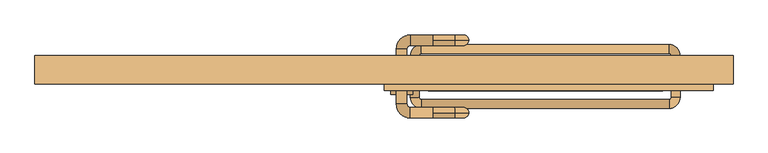
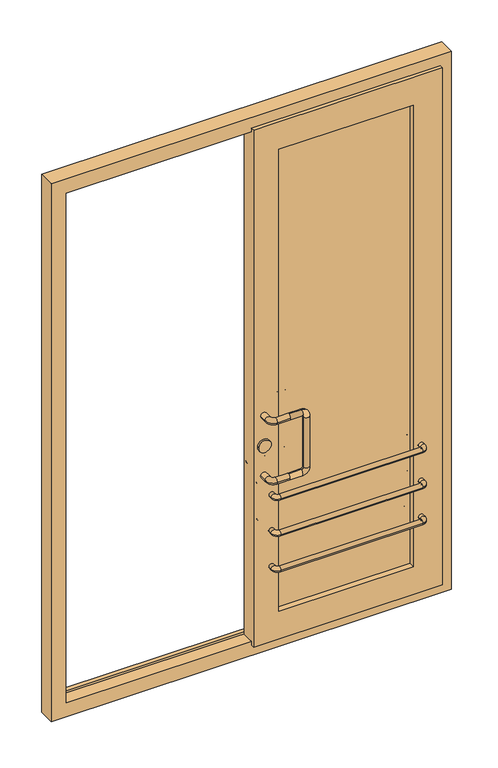
"""IFC4 building model written with IfcOpenShell, lengths in millimetres: door geometry."""

from ifc_helpers import new_model, si_unit, point, frame, frame_2d, origin, place, context, project, spatial, polyline, circle_curve, ellipse_curve, trimmed, segment, composite_curve, outline, extrude, faceted_brep, source, transform, mapped, element, save
from ifc_brep_helpers import cylinder_surface, revolved_surface, advanced_brep


def door_ececd8e5(model_context):
    return source(origin(), model_context, "Body", "SolidModel", [
        advanced_brep(
        [(110.0, -109.5, 1000.0), (110.0, -97.5, 1012.0), (110.0, -85.5, 1000.0), (60.0, -85.5, 1000.0), (60.0, -109.5, 1000.0), (110.0, -97.5, 988.0), (52.0, -77.5, 1000.0), (28.0, -77.5, 1000.0), (52.0, 47.5, 1000.0), (28.0, 47.5, 1000.0), (60.0, 55.5, 1000.0), (60.0, 79.5, 1000.0), (110.0, 55.5, 1000.0), (110.0, 67.5, 1012.0), (110.0, 79.5, 1000.0), (110.0, 67.5, 988.0), (160.0, -97.5, 1012.0), (160.0, -97.5, 988.0), (192.0, -97.5, 980.0), (168.0, -97.5, 980.0), (192.0, -97.5, 770.0), (168.0, -97.5, 770.0), (160.0, -97.5, 738.0), (160.0, -97.5, 762.0), (110.0, -97.5, 738.0), (110.0, -85.5, 750.0), (110.0, -97.5, 762.0), (110.0, -109.5, 750.0), (60.0, -85.5, 750.0), (60.0, -109.5, 750.0), (52.0, -77.5, 750.0), (28.0, -77.5, 750.0), (52.0, 47.5, 750.0), (28.0, 47.5, 750.0), (60.0, 55.5, 750.0), (60.0, 79.5, 750.0), (110.0, 55.5, 750.0), (110.0, 67.5, 762.0), (110.0, 79.5, 750.0), (110.0, 67.5, 738.0), (160.0, 67.5, 1012.0), (160.0, 67.5, 988.0), (192.0, 67.5, 980.0), (168.0, 67.5, 980.0), (192.0, 67.5, 770.0), (168.0, 67.5, 770.0), (160.0, 67.5, 738.0), (160.0, 67.5, 762.0)],
        [
            (0, 1, circle_curve(frame((110.0, -97.5, 1000.0), z_axis=(-1.0, 0.0, 0.0), x_axis=(0.0, 1.0, 0.0)), 12.0)),
            (1, 2, circle_curve(frame((110.0, -97.5, 1000.0), z_axis=(-1.0, 0.0, 0.0), x_axis=(0.0, 1.0, 0.0)), 12.0)),
            (2, 3),
            (3, 4, circle_curve(frame((60.0, -97.5, 1000.0), z_axis=(1.0, 0.0, 0.0), x_axis=(0.0, 1.0, 0.0)), 12.0)),
            (4, 0),
            (4, 3, circle_curve(frame((60.0, -97.5, 1000.0), z_axis=(1.0, 0.0, 0.0), x_axis=(0.0, 1.0, 0.0)), 12.0)),
            (2, 5, circle_curve(frame((110.0, -97.5, 1000.0), z_axis=(-1.0, 0.0, 0.0), x_axis=(0.0, 1.0, 0.0)), 12.0)),
            (5, 0, circle_curve(frame((110.0, -97.5, 1000.0), z_axis=(-1.0, 0.0, 0.0), x_axis=(0.0, 1.0, 0.0)), 12.0)),
            (3, 6, circle_curve(frame((60.0, -77.5, 1000.0), z_axis=(0.0, 0.0, -1.0), x_axis=(0.0, -1.0, 0.0)), 8.0)),
            (6, 7, circle_curve(frame((40.0, -77.5, 1000.0), z_axis=(0.0, -1.0, 0.0), x_axis=(1.0, 0.0, 0.0)), 12.0)),
            (7, 4, circle_curve(frame((60.0, -77.5, 1000.0), z_axis=(0.0, 0.0, 1.0), x_axis=(0.0, -1.0, 0.0)), 32.0)),
            (7, 6, circle_curve(frame((40.0, -77.5, 1000.0), z_axis=(0.0, -1.0, 0.0), x_axis=(1.0, 0.0, 0.0)), 12.0)),
            (6, 8),
            (8, 9, circle_curve(frame((40.0, 47.5, 1000.0), z_axis=(0.0, -1.0, 0.0), x_axis=(1.0, 0.0, 0.0)), 12.0)),
            (9, 7),
            (9, 8, circle_curve(frame((40.0, 47.5, 1000.0), z_axis=(0.0, -1.0, 0.0), x_axis=(1.0, 0.0, 0.0)), 12.0)),
            (8, 10, circle_curve(frame((60.0, 47.5, 1000.0), z_axis=(0.0, 0.0, -1.0), x_axis=(-1.0, 0.0, 0.0)), 8.0)),
            (10, 11, circle_curve(frame((60.0, 67.5, 1000.0), z_axis=(-1.0, 0.0, 0.0), x_axis=(0.0, -1.0, 0.0)), 12.0)),
            (11, 9, circle_curve(frame((60.0, 47.5, 1000.0), z_axis=(0.0, 0.0, 1.0), x_axis=(-1.0, 0.0, 0.0)), 32.0)),
            (11, 10, circle_curve(frame((60.0, 67.5, 1000.0), z_axis=(-1.0, 0.0, 0.0), x_axis=(0.0, -1.0, 0.0)), 12.0)),
            (10, 12),
            (12, 13, circle_curve(frame((110.0, 67.5, 1000.0), z_axis=(-1.0, 0.0, 0.0), x_axis=(0.0, -1.0, 0.0)), 12.0)),
            (13, 14, circle_curve(frame((110.0, 67.5, 1000.0), z_axis=(-1.0, 0.0, 0.0), x_axis=(0.0, -1.0, 0.0)), 12.0)),
            (14, 11),
            (14, 15, circle_curve(frame((110.0, 67.5, 1000.0), z_axis=(-1.0, 0.0, 0.0), x_axis=(0.0, -1.0, 0.0)), 12.0)),
            (15, 12, circle_curve(frame((110.0, 67.5, 1000.0), z_axis=(-1.0, 0.0, 0.0), x_axis=(0.0, -1.0, 0.0)), 12.0)),
            (1, 16),
            (16, 17, circle_curve(frame((160.0, -97.5, 1000.0), z_axis=(-1.0, 0.0, 0.0), x_axis=(0.0, 0.0, 1.0)), 12.0)),
            (17, 5),
            (17, 16, circle_curve(frame((160.0, -97.5, 1000.0), z_axis=(-1.0, 0.0, 0.0), x_axis=(0.0, 0.0, 1.0)), 12.0)),
            (16, 18, circle_curve(frame((160.0, -97.5, 980.0), z_axis=(0.0, 1.0, 0.0), x_axis=(0.0, 0.0, 1.0)), 32.0)),
            (18, 19, circle_curve(frame((180.0, -97.5, 980.0), z_axis=(0.0, 0.0, 1.0), x_axis=(1.0, 0.0, 0.0)), 12.0)),
            (19, 17, circle_curve(frame((160.0, -97.5, 980.0), z_axis=(0.0, -1.0, 0.0), x_axis=(0.0, 0.0, 1.0)), 8.0)),
            (19, 18, circle_curve(frame((180.0, -97.5, 980.0), z_axis=(0.0, 0.0, 1.0), x_axis=(1.0, 0.0, 0.0)), 12.0)),
            (18, 20),
            (20, 21, circle_curve(frame((180.0, -97.5, 770.0), z_axis=(0.0, 0.0, 1.0), x_axis=(1.0, 0.0, 0.0)), 12.0)),
            (21, 19),
            (21, 20, circle_curve(frame((180.0, -97.5, 770.0), z_axis=(0.0, 0.0, 1.0), x_axis=(1.0, 0.0, 0.0)), 12.0)),
            (20, 22, circle_curve(frame((160.0, -97.5, 770.0), z_axis=(0.0, 1.0, 0.0), x_axis=(1.0, 0.0, 0.0)), 32.0)),
            (22, 23, circle_curve(frame((160.0, -97.5, 750.0), z_axis=(1.0, 0.0, 0.0), x_axis=(0.0, 0.0, -1.0)), 12.0)),
            (23, 21, circle_curve(frame((160.0, -97.5, 770.0), z_axis=(0.0, -1.0, 0.0), x_axis=(1.0, 0.0, 0.0)), 8.0)),
            (23, 22, circle_curve(frame((160.0, -97.5, 750.0), z_axis=(1.0, 0.0, 0.0), x_axis=(0.0, 0.0, -1.0)), 12.0)),
            (22, 24),
            (24, 25, circle_curve(frame((110.0, -97.5, 750.0), z_axis=(1.0, 0.0, 0.0), x_axis=(0.0, 0.0, -1.0)), 12.0)),
            (25, 26, circle_curve(frame((110.0, -97.5, 750.0), z_axis=(1.0, 0.0, 0.0), x_axis=(0.0, 0.0, -1.0)), 12.0)),
            (26, 23),
            (26, 27, circle_curve(frame((110.0, -97.5, 750.0), z_axis=(1.0, 0.0, 0.0), x_axis=(0.0, 0.0, -1.0)), 12.0)),
            (27, 24, circle_curve(frame((110.0, -97.5, 750.0), z_axis=(1.0, 0.0, 0.0), x_axis=(0.0, 0.0, -1.0)), 12.0)),
            (25, 28),
            (28, 29, circle_curve(frame((60.0, -97.5, 750.0), z_axis=(1.0, 0.0, 0.0), x_axis=(0.0, 1.0, 0.0)), 12.0)),
            (29, 27),
            (29, 28, circle_curve(frame((60.0, -97.5, 750.0), z_axis=(1.0, 0.0, 0.0), x_axis=(0.0, 1.0, 0.0)), 12.0)),
            (28, 30, circle_curve(frame((60.0, -77.5, 750.0), z_axis=(0.0, 0.0, -1.0), x_axis=(0.0, -1.0, 0.0)), 8.0)),
            (30, 31, circle_curve(frame((40.0, -77.5, 750.0), z_axis=(0.0, -1.0, 0.0), x_axis=(1.0, 0.0, 0.0)), 12.0)),
            (31, 29, circle_curve(frame((60.0, -77.5, 750.0), z_axis=(0.0, 0.0, 1.0), x_axis=(0.0, -1.0, 0.0)), 32.0)),
            (31, 30, circle_curve(frame((40.0, -77.5, 750.0), z_axis=(0.0, -1.0, 0.0), x_axis=(1.0, 0.0, 0.0)), 12.0)),
            (30, 32),
            (32, 33, circle_curve(frame((40.0, 47.5, 750.0), z_axis=(0.0, -1.0, 0.0), x_axis=(1.0, 0.0, 0.0)), 12.0)),
            (33, 31),
            (33, 32, circle_curve(frame((40.0, 47.5, 750.0), z_axis=(0.0, -1.0, 0.0), x_axis=(1.0, 0.0, 0.0)), 12.0)),
            (32, 34, circle_curve(frame((60.0, 47.5, 750.0), z_axis=(0.0, 0.0, -1.0), x_axis=(-1.0, 0.0, 0.0)), 8.0)),
            (34, 35, circle_curve(frame((60.0, 67.5, 750.0), z_axis=(-1.0, 0.0, 0.0), x_axis=(0.0, -1.0, 0.0)), 12.0)),
            (35, 33, circle_curve(frame((60.0, 47.5, 750.0), z_axis=(0.0, 0.0, 1.0), x_axis=(-1.0, 0.0, 0.0)), 32.0)),
            (35, 34, circle_curve(frame((60.0, 67.5, 750.0), z_axis=(-1.0, 0.0, 0.0), x_axis=(0.0, -1.0, 0.0)), 12.0)),
            (34, 36),
            (36, 37, circle_curve(frame((110.0, 67.5, 750.0), z_axis=(-1.0, 0.0, 0.0), x_axis=(0.0, -1.0, 0.0)), 12.0)),
            (37, 38, circle_curve(frame((110.0, 67.5, 750.0), z_axis=(-1.0, 0.0, 0.0), x_axis=(0.0, -1.0, 0.0)), 12.0)),
            (38, 35),
            (38, 39, circle_curve(frame((110.0, 67.5, 750.0), z_axis=(-1.0, 0.0, 0.0), x_axis=(0.0, -1.0, 0.0)), 12.0)),
            (39, 36, circle_curve(frame((110.0, 67.5, 750.0), z_axis=(-1.0, 0.0, 0.0), x_axis=(0.0, -1.0, 0.0)), 12.0)),
            (13, 40),
            (40, 41, circle_curve(frame((160.0, 67.5, 1000.0), z_axis=(-1.0, 0.0, 0.0), x_axis=(0.0, 0.0, 1.0)), 12.0)),
            (41, 15),
            (41, 40, circle_curve(frame((160.0, 67.5, 1000.0), z_axis=(-1.0, 0.0, 0.0), x_axis=(0.0, 0.0, 1.0)), 12.0)),
            (40, 42, circle_curve(frame((160.0, 67.5, 980.0), z_axis=(0.0, 1.0, 0.0), x_axis=(0.0, 0.0, 1.0)), 32.0)),
            (42, 43, circle_curve(frame((180.0, 67.5, 980.0), z_axis=(0.0, 0.0, 1.0), x_axis=(1.0, 0.0, 0.0)), 12.0)),
            (43, 41, circle_curve(frame((160.0, 67.5, 980.0), z_axis=(0.0, -1.0, 0.0), x_axis=(0.0, 0.0, 1.0)), 8.0)),
            (43, 42, circle_curve(frame((180.0, 67.5, 980.0), z_axis=(0.0, 0.0, 1.0), x_axis=(1.0, 0.0, 0.0)), 12.0)),
            (42, 44),
            (44, 45, circle_curve(frame((180.0, 67.5, 770.0), z_axis=(0.0, 0.0, 1.0), x_axis=(1.0, 0.0, 0.0)), 12.0)),
            (45, 43),
            (45, 44, circle_curve(frame((180.0, 67.5, 770.0), z_axis=(0.0, 0.0, 1.0), x_axis=(1.0, 0.0, 0.0)), 12.0)),
            (44, 46, circle_curve(frame((160.0, 67.5, 770.0), z_axis=(0.0, 1.0, 0.0), x_axis=(1.0, 0.0, 0.0)), 32.0)),
            (46, 47, circle_curve(frame((160.0, 67.5, 750.0), z_axis=(1.0, 0.0, 0.0), x_axis=(0.0, 0.0, -1.0)), 12.0)),
            (47, 45, circle_curve(frame((160.0, 67.5, 770.0), z_axis=(0.0, -1.0, 0.0), x_axis=(1.0, 0.0, 0.0)), 8.0)),
            (47, 46, circle_curve(frame((160.0, 67.5, 750.0), z_axis=(1.0, 0.0, 0.0), x_axis=(0.0, 0.0, -1.0)), 12.0)),
            (46, 39),
            (37, 47),
        ],
        [
            cylinder_surface(frame((110.0, -97.5, 1000.0), z_axis=(1.0, 0.0, 0.0), x_axis=(0.0, 1.0, 0.0)), 12.0),
            revolved_surface(trimmed(ellipse_curve(frame((60.0, -97.5, 1000.0), z_axis=(-1.0, 0.0, 0.0), x_axis=(0.0, 1.0, 0.0)), 12.0, 12.0), [point((60.0, -109.5, 1000.0))], [point((60.0, -85.5, 1000.0))], True, "CARTESIAN"), (60.0, -77.5, 1000.0), (0.0, 0.0, 1.0)),
            revolved_surface(trimmed(ellipse_curve(frame((60.0, -97.5, 1000.0), z_axis=(-1.0, 0.0, 0.0), x_axis=(0.0, 1.0, 0.0)), 12.0, 12.0), [point((60.0, -85.5, 1000.0))], [point((60.0, -109.5, 1000.0))], True, "CARTESIAN"), (60.0, -77.5, 1000.0), (0.0, 0.0, 1.0)),
            cylinder_surface(frame((40.0, -77.5, 1000.0), z_axis=(0.0, -1.0, 0.0), x_axis=(1.0, 0.0, 0.0)), 12.0),
            revolved_surface(trimmed(ellipse_curve(frame((40.0, 47.5, 1000.0), z_axis=(0.0, 1.0, 0.0), x_axis=(1.0, 0.0, 0.0)), 12.0, 12.0), [point((28.0, 47.5, 1000.0))], [point((52.0, 47.5, 1000.0))], True, "CARTESIAN"), (60.0, 47.5, 1000.0), (0.0, 0.0, 1.0)),
            revolved_surface(trimmed(ellipse_curve(frame((40.0, 47.5, 1000.0), z_axis=(0.0, 1.0, 0.0), x_axis=(1.0, 0.0, 0.0)), 12.0, 12.0), [point((52.0, 47.5, 1000.0))], [point((28.0, 47.5, 1000.0))], True, "CARTESIAN"), (60.0, 47.5, 1000.0), (0.0, 0.0, 1.0)),
            cylinder_surface(frame((60.0, 67.5, 1000.0), z_axis=(-1.0, 0.0, 0.0), x_axis=(0.0, -1.0, 0.0)), 12.0),
            cylinder_surface(frame((110.0, -97.5, 1000.0), z_axis=(-1.0, 0.0, 0.0), x_axis=(0.0, 0.0, 1.0)), 12.0),
            revolved_surface(trimmed(ellipse_curve(frame((160.0, -97.5, 1000.0), z_axis=(1.0, 0.0, 0.0), x_axis=(0.0, 0.0, 1.0)), 12.0, 12.0), [point((160.0, -97.5, 988.0))], [point((160.0, -97.5, 1012.0))], True, "CARTESIAN"), (160.0, -97.5, 980.0), (0.0, -1.0, 0.0)),
            revolved_surface(trimmed(ellipse_curve(frame((160.0, -97.5, 1000.0), z_axis=(1.0, 0.0, 0.0), x_axis=(0.0, 0.0, 1.0)), 12.0, 12.0), [point((160.0, -97.5, 1012.0))], [point((160.0, -97.5, 988.0))], True, "CARTESIAN"), (160.0, -97.5, 980.0), (0.0, -1.0, 0.0)),
            cylinder_surface(frame((180.0, -97.5, 980.0), z_axis=(0.0, 0.0, 1.0), x_axis=(1.0, 0.0, 0.0)), 12.0),
            revolved_surface(trimmed(ellipse_curve(frame((180.0, -97.5, 770.0), z_axis=(0.0, 0.0, -1.0), x_axis=(1.0, 0.0, 0.0)), 12.0, 12.0), [point((168.0, -97.5, 770.0))], [point((192.0, -97.5, 770.0))], True, "CARTESIAN"), (160.0, -97.5, 770.0), (0.0, -1.0, 0.0)),
            revolved_surface(trimmed(ellipse_curve(frame((180.0, -97.5, 770.0), z_axis=(0.0, 0.0, -1.0), x_axis=(1.0, 0.0, 0.0)), 12.0, 12.0), [point((192.0, -97.5, 770.0))], [point((168.0, -97.5, 770.0))], True, "CARTESIAN"), (160.0, -97.5, 770.0), (0.0, -1.0, 0.0)),
            cylinder_surface(frame((160.0, -97.5, 750.0), z_axis=(1.0, 0.0, 0.0), x_axis=(0.0, 0.0, -1.0)), 12.0),
            cylinder_surface(frame((110.0, -97.5, 750.0), z_axis=(1.0, 0.0, 0.0), x_axis=(0.0, 1.0, 0.0)), 12.0),
            revolved_surface(trimmed(ellipse_curve(frame((60.0, -97.5, 750.0), z_axis=(-1.0, 0.0, 0.0), x_axis=(0.0, 1.0, 0.0)), 12.0, 12.0), [point((60.0, -109.5, 750.0))], [point((60.0, -85.5, 750.0))], True, "CARTESIAN"), (60.0, -77.5, 750.0), (0.0, 0.0, 1.0)),
            revolved_surface(trimmed(ellipse_curve(frame((60.0, -97.5, 750.0), z_axis=(-1.0, 0.0, 0.0), x_axis=(0.0, 1.0, 0.0)), 12.0, 12.0), [point((60.0, -85.5, 750.0))], [point((60.0, -109.5, 750.0))], True, "CARTESIAN"), (60.0, -77.5, 750.0), (0.0, 0.0, 1.0)),
            cylinder_surface(frame((40.0, -77.5, 750.0), z_axis=(0.0, -1.0, 0.0), x_axis=(1.0, 0.0, 0.0)), 12.0),
            revolved_surface(trimmed(ellipse_curve(frame((40.0, 47.5, 750.0), z_axis=(0.0, 1.0, 0.0), x_axis=(1.0, 0.0, 0.0)), 12.0, 12.0), [point((28.0, 47.5, 750.0))], [point((52.0, 47.5, 750.0))], True, "CARTESIAN"), (60.0, 47.5, 750.0), (0.0, 0.0, 1.0)),
            revolved_surface(trimmed(ellipse_curve(frame((40.0, 47.5, 750.0), z_axis=(0.0, 1.0, 0.0), x_axis=(1.0, 0.0, 0.0)), 12.0, 12.0), [point((52.0, 47.5, 750.0))], [point((28.0, 47.5, 750.0))], True, "CARTESIAN"), (60.0, 47.5, 750.0), (0.0, 0.0, 1.0)),
            cylinder_surface(frame((60.0, 67.5, 750.0), z_axis=(-1.0, 0.0, 0.0), x_axis=(0.0, -1.0, 0.0)), 12.0),
            cylinder_surface(frame((110.0, 67.5, 1000.0), z_axis=(-1.0, 0.0, 0.0), x_axis=(0.0, 0.0, 1.0)), 12.0),
            revolved_surface(trimmed(ellipse_curve(frame((160.0, 67.5, 1000.0), z_axis=(1.0, 0.0, 0.0), x_axis=(0.0, 0.0, 1.0)), 12.0, 12.0), [point((160.0, 67.5, 988.0))], [point((160.0, 67.5, 1012.0))], True, "CARTESIAN"), (160.0, 67.5, 980.0), (0.0, -1.0, 0.0)),
            revolved_surface(trimmed(ellipse_curve(frame((160.0, 67.5, 1000.0), z_axis=(1.0, 0.0, 0.0), x_axis=(0.0, 0.0, 1.0)), 12.0, 12.0), [point((160.0, 67.5, 1012.0))], [point((160.0, 67.5, 988.0))], True, "CARTESIAN"), (160.0, 67.5, 980.0), (0.0, -1.0, 0.0)),
            cylinder_surface(frame((180.0, 67.5, 980.0), z_axis=(0.0, 0.0, 1.0), x_axis=(1.0, 0.0, 0.0)), 12.0),
            revolved_surface(trimmed(ellipse_curve(frame((180.0, 67.5, 770.0), z_axis=(0.0, 0.0, -1.0), x_axis=(1.0, 0.0, 0.0)), 12.0, 12.0), [point((168.0, 67.5, 770.0))], [point((192.0, 67.5, 770.0))], True, "CARTESIAN"), (160.0, 67.5, 770.0), (0.0, -1.0, 0.0)),
            revolved_surface(trimmed(ellipse_curve(frame((180.0, 67.5, 770.0), z_axis=(0.0, 0.0, -1.0), x_axis=(1.0, 0.0, 0.0)), 12.0, 12.0), [point((192.0, 67.5, 770.0))], [point((168.0, 67.5, 770.0))], True, "CARTESIAN"), (160.0, 67.5, 770.0), (0.0, -1.0, 0.0)),
            cylinder_surface(frame((160.0, 67.5, 750.0), z_axis=(1.0, 0.0, 0.0), x_axis=(0.0, 0.0, -1.0)), 12.0),
        ],
        [
            (0, [[1, 2, 3, 4, 5]]),
            (0, [[6, -3, 7, 8, -5]]),
            (1, [[9, 10, 11, -4]]),
            (2, [[-11, 12, -9, -6]]),
            (3, [[13, 14, 15, -10]]),
            (3, [[-15, 16, -13, -12]]),
            (4, [[17, 18, 19, -14]]),
            (5, [[-19, 20, -17, -16]]),
            (6, [[21, 22, 23, 24, -18]]),
            (6, [[-24, 25, 26, -21, -20]]),
            (7, [[-7, -2, 27, 28, 29]]),
            (7, [[30, -27, -1, -8, -29]]),
            (8, [[31, 32, 33, -28]]),
            (9, [[-33, 34, -31, -30]]),
            (10, [[35, 36, 37, -32]]),
            (10, [[-37, 38, -35, -34]]),
            (11, [[39, 40, 41, -36]]),
            (12, [[-41, 42, -39, -38]]),
            (13, [[43, 44, 45, 46, -40]]),
            (13, [[-46, 47, 48, -43, -42]]),
            (14, [[-47, -45, 49, 50, 51]]),
            (14, [[52, -49, -44, -48, -51]]),
            (15, [[53, 54, 55, -50]]),
            (16, [[-55, 56, -53, -52]]),
            (17, [[57, 58, 59, -54]]),
            (17, [[-59, 60, -57, -56]]),
            (18, [[61, 62, 63, -58]]),
            (19, [[-63, 64, -61, -60]]),
            (20, [[65, 66, 67, 68, -62]]),
            (20, [[-68, 69, 70, -65, -64]]),
            (21, [[-25, -23, 71, 72, 73]]),
            (21, [[74, -71, -22, -26, -73]]),
            (22, [[75, 76, 77, -72]]),
            (23, [[-77, 78, -75, -74]]),
            (24, [[79, 80, 81, -76]]),
            (24, [[-81, 82, -79, -78]]),
            (25, [[83, 84, 85, -80]]),
            (26, [[-85, 86, -83, -82]]),
            (27, [[87, -69, -67, 88, -84]]),
            (27, [[-88, -66, -70, -87, -86]]),
        ],
    ),
        extrude(outline(composite_curve([segment(trimmed(circle_curve(frame_2d((875.0, 40.0)), 25.0), [point((875.0, 15.0))], [point((875.0, 65.0))], False, "CARTESIAN"), True, "CONTINUOUS"), segment(trimmed(circle_curve(frame_2d((875.0, 40.0)), 25.0), [point((875.0, 65.0))], [point((875.0, 15.0))], False, "CARTESIAN"), True, "CONTINUOUS")], self_intersect=False)), frame((0.0, -55.5, 0.0), z_axis=(0.0, 1.0, 0.0), x_axis=(0.0, 0.0, 1.0)), (0.0, 0.0, 1.0), 81.0),
        faceted_brep([(100.0, -47.5, 160.0), (631.3125, -47.5, 160.0), (631.3125, 17.5, 160.0), (100.0, 17.5, 160.0), (746.3125, -47.5, 45.0), (0.0, -47.5, 45.0), (0.0, -32.5, 45.0), (746.3125, -32.5, 45.0), (0.0, 17.5, 60.0), (731.3125, 17.5, 60.0), (731.3125, -32.5, 60.0), (0.0, -32.5, 60.0), (631.3125, -47.5, 2090.125), (631.3125, 17.5, 2090.125), (746.3125, -32.5, 2205.125), (746.3125, -47.5, 2205.125), (731.3125, 17.5, 2190.125), (731.3125, -32.5, 2190.125), (100.0, -47.5, 2090.125), (100.0, 17.5, 2090.125), (0.0, -32.5, 2205.125), (0.0, -47.5, 2205.125), (0.0, 17.5, 2190.125), (0.0, -32.5, 2190.125)], [[[0, 1, 2, 3]], [[4, 5, 6, 7]], [[8, 9, 10, 11]], [[1, 12, 13, 2]], [[7, 14, 15, 4]], [[9, 16, 17, 10]], [[12, 18, 19, 13]], [[14, 20, 21, 15]], [[16, 22, 23, 17]], [[3, 19, 18, 0]], [[15, 21, 5, 4], [0, 18, 12, 1]], [[10, 17, 23, 20, 14, 7, 6, 11]], [[11, 6, 5, 21, 20, 23, 22, 8]], [[8, 22, 16, 9], [2, 13, 19, 3]]]),
        advanced_brep(
        [(60.0, 32.5, 360.0), (60.0, -62.5, 360.0), (80.0, -62.5, 360.0), (80.0, 32.5, 360.0), (85.0, -87.5, 360.0), (85.0, -67.5, 360.0), (646.3125, -87.5, 360.0), (646.3125, -67.5, 360.0), (671.3125, -62.5, 360.0), (651.3125, -62.5, 360.0), (671.3125, 32.5, 360.0), (651.3125, 32.5, 360.0), (646.3125, 57.5, 360.0), (646.3125, 37.5, 360.0), (85.0, 57.5, 360.0), (85.0, 37.5, 360.0)],
        [
            (0, 1),
            (1, 2, circle_curve(frame((70.0, -62.5, 360.0), z_axis=(0.0, 1.0, 0.0), x_axis=(-1.0, 0.0, 0.0)), 10.0)),
            (2, 3),
            (3, 0, circle_curve(frame((70.0, 32.5, 360.0), z_axis=(0.0, -1.0, 0.0), x_axis=(-1.0, 0.0, 0.0)), 10.0)),
            (2, 1, circle_curve(frame((70.0, -62.5, 360.0), z_axis=(0.0, 1.0, 0.0), x_axis=(-1.0, 0.0, 0.0)), 10.0)),
            (0, 3, circle_curve(frame((70.0, 32.5, 360.0), z_axis=(0.0, -1.0, 0.0), x_axis=(-1.0, 0.0, 0.0)), 10.0)),
            (4, 5, circle_curve(frame((85.0, -77.5, 360.0), z_axis=(-1.0, 0.0, 0.0), x_axis=(0.0, -1.0, 0.0)), 10.0)),
            (5, 2, circle_curve(frame((85.0, -62.5, 360.0), z_axis=(0.0, 0.0, -1.0), x_axis=(-1.0, 0.0, 0.0)), 5.0)),
            (1, 4, circle_curve(frame((85.0, -62.5, 360.0), z_axis=(0.0, 0.0, 1.0), x_axis=(-1.0, 0.0, 0.0)), 25.0)),
            (5, 4, circle_curve(frame((85.0, -77.5, 360.0), z_axis=(-1.0, 0.0, 0.0), x_axis=(0.0, -1.0, 0.0)), 10.0)),
            (4, 6),
            (6, 7, circle_curve(frame((646.3125, -77.5, 360.0), z_axis=(-1.0, 0.0, 0.0), x_axis=(0.0, -1.0, 0.0)), 10.0)),
            (7, 5),
            (7, 6, circle_curve(frame((646.3125, -77.5, 360.0), z_axis=(-1.0, 0.0, 0.0), x_axis=(0.0, -1.0, 0.0)), 10.0)),
            (8, 9, circle_curve(frame((661.3125, -62.5, 360.0), z_axis=(0.0, -1.0, 0.0), x_axis=(1.0, 0.0, 0.0)), 10.0)),
            (9, 7, circle_curve(frame((646.3125, -62.5, 360.0), z_axis=(0.0, 0.0, -1.0), x_axis=(0.0, -1.0, 0.0)), 5.0)),
            (6, 8, circle_curve(frame((646.3125, -62.5, 360.0), z_axis=(0.0, 0.0, 1.0), x_axis=(0.0, -1.0, 0.0)), 25.0)),
            (9, 8, circle_curve(frame((661.3125, -62.5, 360.0), z_axis=(0.0, -1.0, 0.0), x_axis=(1.0, 0.0, 0.0)), 10.0)),
            (8, 10),
            (10, 11, circle_curve(frame((661.3125, 32.5, 360.0), z_axis=(0.0, -1.0, 0.0), x_axis=(1.0, 0.0, 0.0)), 10.0)),
            (11, 9),
            (11, 10, circle_curve(frame((661.3125, 32.5, 360.0), z_axis=(0.0, -1.0, 0.0), x_axis=(1.0, 0.0, 0.0)), 10.0)),
            (12, 13, circle_curve(frame((646.3125, 47.5, 360.0), z_axis=(1.0, 0.0, 0.0), x_axis=(0.0, 1.0, 0.0)), 10.0)),
            (13, 11, circle_curve(frame((646.3125, 32.5, 360.0), z_axis=(0.0, 0.0, -1.0), x_axis=(1.0, 0.0, 0.0)), 5.0)),
            (10, 12, circle_curve(frame((646.3125, 32.5, 360.0), z_axis=(0.0, 0.0, 1.0), x_axis=(1.0, 0.0, 0.0)), 25.0)),
            (13, 12, circle_curve(frame((646.3125, 47.5, 360.0), z_axis=(1.0, 0.0, 0.0), x_axis=(0.0, 1.0, 0.0)), 10.0)),
            (12, 14),
            (14, 15, circle_curve(frame((85.0, 47.5, 360.0), z_axis=(1.0, 0.0, 0.0), x_axis=(0.0, 1.0, 0.0)), 10.0)),
            (15, 13),
            (15, 14, circle_curve(frame((85.0, 47.5, 360.0), z_axis=(1.0, 0.0, 0.0), x_axis=(0.0, 1.0, 0.0)), 10.0)),
            (3, 15, circle_curve(frame((85.0, 32.5, 360.0), z_axis=(0.0, 0.0, -1.0), x_axis=(0.0, 1.0, 0.0)), 5.0)),
            (14, 0, circle_curve(frame((85.0, 32.5, 360.0), z_axis=(0.0, 0.0, 1.0), x_axis=(0.0, 1.0, 0.0)), 25.0)),
        ],
        [
            cylinder_surface(frame((70.0, 32.5, 360.0), z_axis=(0.0, 1.0, 0.0), x_axis=(-1.0, 0.0, 0.0)), 10.0),
            revolved_surface(trimmed(ellipse_curve(frame((70.0, -62.5, 360.0), z_axis=(0.0, -1.0, 0.0), x_axis=(-1.0, 0.0, 0.0)), 10.0, 10.0), [point((80.0, -62.5, 360.0))], [point((60.0, -62.5, 360.0))], True, "CARTESIAN"), (85.0, -62.5, 360.0), (0.0, 0.0, -1.0)),
            revolved_surface(trimmed(ellipse_curve(frame((70.0, -62.5, 360.0), z_axis=(0.0, -1.0, 0.0), x_axis=(-1.0, 0.0, 0.0)), 10.0, 10.0), [point((60.0, -62.5, 360.0))], [point((80.0, -62.5, 360.0))], True, "CARTESIAN"), (85.0, -62.5, 360.0), (0.0, 0.0, -1.0)),
            cylinder_surface(frame((85.0, -77.5, 360.0), z_axis=(-1.0, 0.0, 0.0), x_axis=(0.0, -1.0, 0.0)), 10.0),
            revolved_surface(trimmed(ellipse_curve(frame((646.3125, -77.5, 360.0), z_axis=(1.0, 0.0, 0.0), x_axis=(0.0, -1.0, 0.0)), 10.0, 10.0), [point((646.3125, -67.5, 360.0))], [point((646.3125, -87.5, 360.0))], True, "CARTESIAN"), (646.3125, -62.5, 360.0), (0.0, 0.0, -1.0)),
            revolved_surface(trimmed(ellipse_curve(frame((646.3125, -77.5, 360.0), z_axis=(1.0, 0.0, 0.0), x_axis=(0.0, -1.0, 0.0)), 10.0, 10.0), [point((646.3125, -87.5, 360.0))], [point((646.3125, -67.5, 360.0))], True, "CARTESIAN"), (646.3125, -62.5, 360.0), (0.0, 0.0, -1.0)),
            cylinder_surface(frame((661.3125, -62.5, 360.0), z_axis=(0.0, -1.0, 0.0), x_axis=(1.0, 0.0, 0.0)), 10.0),
            revolved_surface(trimmed(ellipse_curve(frame((661.3125, 32.5, 360.0), z_axis=(0.0, 1.0, 0.0), x_axis=(1.0, 0.0, 0.0)), 10.0, 10.0), [point((651.3125, 32.5, 360.0))], [point((671.3125, 32.5, 360.0))], True, "CARTESIAN"), (646.3125, 32.5, 360.0), (0.0, 0.0, -1.0)),
            revolved_surface(trimmed(ellipse_curve(frame((661.3125, 32.5, 360.0), z_axis=(0.0, 1.0, 0.0), x_axis=(1.0, 0.0, 0.0)), 10.0, 10.0), [point((671.3125, 32.5, 360.0))], [point((651.3125, 32.5, 360.0))], True, "CARTESIAN"), (646.3125, 32.5, 360.0), (0.0, 0.0, -1.0)),
            cylinder_surface(frame((646.3125, 47.5, 360.0), z_axis=(1.0, 0.0, 0.0), x_axis=(0.0, 1.0, 0.0)), 10.0),
            revolved_surface(trimmed(ellipse_curve(frame((85.0, 47.5, 360.0), z_axis=(-1.0, 0.0, 0.0), x_axis=(0.0, 1.0, 0.0)), 10.0, 10.0), [point((85.0, 37.5, 360.0))], [point((85.0, 57.5, 360.0))], True, "CARTESIAN"), (85.0, 32.5, 360.0), (0.0, 0.0, -1.0)),
            revolved_surface(trimmed(ellipse_curve(frame((85.0, 47.5, 360.0), z_axis=(-1.0, 0.0, 0.0), x_axis=(0.0, 1.0, 0.0)), 10.0, 10.0), [point((85.0, 57.5, 360.0))], [point((85.0, 37.5, 360.0))], True, "CARTESIAN"), (85.0, 32.5, 360.0), (0.0, 0.0, -1.0)),
        ],
        [
            (0, [[1, 2, 3, 4]]),
            (0, [[-3, 5, -1, 6]]),
            (1, [[7, 8, -2, 9]]),
            (2, [[10, -9, -5, -8]]),
            (3, [[11, 12, 13, -7]]),
            (3, [[-13, 14, -11, -10]]),
            (4, [[15, 16, -12, 17]]),
            (5, [[18, -17, -14, -16]]),
            (6, [[19, 20, 21, -15]]),
            (6, [[-21, 22, -19, -18]]),
            (7, [[23, 24, -20, 25]]),
            (8, [[26, -25, -22, -24]]),
            (9, [[27, 28, 29, -23]]),
            (9, [[-29, 30, -27, -26]]),
            (10, [[-4, 31, -28, 32]]),
            (11, [[-6, -32, -30, -31]]),
        ],
    ),
        advanced_brep(
        [(60.0, 32.5, 510.0), (60.0, -62.5, 510.0), (80.0, -62.5, 510.0), (80.0, 32.5, 510.0), (85.0, -87.5, 510.0), (85.0, -67.5, 510.0), (646.3125, -87.5, 510.0), (646.3125, -67.5, 510.0), (671.3125, -62.5, 510.0), (651.3125, -62.5, 510.0), (671.3125, 32.5, 510.0), (651.3125, 32.5, 510.0), (646.3125, 57.5, 510.0), (646.3125, 37.5, 510.0), (85.0, 57.5, 510.0), (85.0, 37.5, 510.0)],
        [
            (0, 1),
            (1, 2, circle_curve(frame((70.0, -62.5, 510.0), z_axis=(0.0, 1.0, 0.0), x_axis=(-1.0, 0.0, 0.0)), 10.0)),
            (2, 3),
            (3, 0, circle_curve(frame((70.0, 32.5, 510.0), z_axis=(0.0, -1.0, 0.0), x_axis=(-1.0, 0.0, 0.0)), 10.0)),
            (2, 1, circle_curve(frame((70.0, -62.5, 510.0), z_axis=(0.0, 1.0, 0.0), x_axis=(-1.0, 0.0, 0.0)), 10.0)),
            (0, 3, circle_curve(frame((70.0, 32.5, 510.0), z_axis=(0.0, -1.0, 0.0), x_axis=(-1.0, 0.0, 0.0)), 10.0)),
            (4, 5, circle_curve(frame((85.0, -77.5, 510.0), z_axis=(-1.0, 0.0, 0.0), x_axis=(0.0, -1.0, 0.0)), 10.0)),
            (5, 2, circle_curve(frame((85.0, -62.5, 510.0), z_axis=(0.0, 0.0, -1.0), x_axis=(-1.0, 0.0, 0.0)), 5.0)),
            (1, 4, circle_curve(frame((85.0, -62.5, 510.0), z_axis=(0.0, 0.0, 1.0), x_axis=(-1.0, 0.0, 0.0)), 25.0)),
            (5, 4, circle_curve(frame((85.0, -77.5, 510.0), z_axis=(-1.0, 0.0, 0.0), x_axis=(0.0, -1.0, 0.0)), 10.0)),
            (4, 6),
            (6, 7, circle_curve(frame((646.3125, -77.5, 510.0), z_axis=(-1.0, 0.0, 0.0), x_axis=(0.0, -1.0, 0.0)), 10.0)),
            (7, 5),
            (7, 6, circle_curve(frame((646.3125, -77.5, 510.0), z_axis=(-1.0, 0.0, 0.0), x_axis=(0.0, -1.0, 0.0)), 10.0)),
            (8, 9, circle_curve(frame((661.3125, -62.5, 510.0), z_axis=(0.0, -1.0, 0.0), x_axis=(1.0, 0.0, 0.0)), 10.0)),
            (9, 7, circle_curve(frame((646.3125, -62.5, 510.0), z_axis=(0.0, 0.0, -1.0), x_axis=(0.0, -1.0, 0.0)), 5.0)),
            (6, 8, circle_curve(frame((646.3125, -62.5, 510.0), z_axis=(0.0, 0.0, 1.0), x_axis=(0.0, -1.0, 0.0)), 25.0)),
            (9, 8, circle_curve(frame((661.3125, -62.5, 510.0), z_axis=(0.0, -1.0, 0.0), x_axis=(1.0, 0.0, 0.0)), 10.0)),
            (8, 10),
            (10, 11, circle_curve(frame((661.3125, 32.5, 510.0), z_axis=(0.0, -1.0, 0.0), x_axis=(1.0, 0.0, 0.0)), 10.0)),
            (11, 9),
            (11, 10, circle_curve(frame((661.3125, 32.5, 510.0), z_axis=(0.0, -1.0, 0.0), x_axis=(1.0, 0.0, 0.0)), 10.0)),
            (12, 13, circle_curve(frame((646.3125, 47.5, 510.0), z_axis=(1.0, 0.0, 0.0), x_axis=(0.0, 1.0, 0.0)), 10.0)),
            (13, 11, circle_curve(frame((646.3125, 32.5, 510.0), z_axis=(0.0, 0.0, -1.0), x_axis=(1.0, -1.264444445123043e-12, 0.0)), 5.0)),
            (10, 12, circle_curve(frame((646.3125, 32.5, 510.0), z_axis=(0.0, 0.0, 1.0), x_axis=(1.0, -1.264444445123043e-12, 0.0)), 25.0)),
            (13, 12, circle_curve(frame((646.3125, 47.5, 510.0), z_axis=(1.0, 0.0, 0.0), x_axis=(0.0, 1.0, 0.0)), 10.0)),
            (12, 14),
            (14, 15, circle_curve(frame((85.0, 47.5, 510.0), z_axis=(1.0, 0.0, 0.0), x_axis=(0.0, 1.0, 0.0)), 10.0)),
            (15, 13),
            (15, 14, circle_curve(frame((85.0, 47.5, 510.0), z_axis=(1.0, 0.0, 0.0), x_axis=(0.0, 1.0, 0.0)), 10.0)),
            (3, 15, circle_curve(frame((85.0, 32.5, 510.0), z_axis=(0.0, 0.0, -1.0), x_axis=(0.0, 1.0, 0.0)), 5.0)),
            (14, 0, circle_curve(frame((85.0, 32.5, 510.0), z_axis=(0.0, 0.0, 1.0), x_axis=(0.0, 1.0, 0.0)), 25.0)),
        ],
        [
            cylinder_surface(frame((70.0, 32.5, 510.0), z_axis=(0.0, 1.0, 0.0), x_axis=(-1.0, 0.0, 0.0)), 10.0),
            revolved_surface(trimmed(ellipse_curve(frame((70.0, -62.5, 510.0), z_axis=(0.0, -1.0, 0.0), x_axis=(-1.0, 0.0, 0.0)), 10.0, 10.0), [point((80.0, -62.5, 510.0))], [point((60.0, -62.5, 510.0))], True, "CARTESIAN"), (85.0, -62.5, 510.0), (0.0, 0.0, -1.0)),
            revolved_surface(trimmed(ellipse_curve(frame((70.0, -62.5, 510.0), z_axis=(0.0, -1.0, 0.0), x_axis=(-1.0, 0.0, 0.0)), 10.0, 10.0), [point((60.0, -62.5, 510.0))], [point((80.0, -62.5, 510.0))], True, "CARTESIAN"), (85.0, -62.5, 510.0), (0.0, 0.0, -1.0)),
            cylinder_surface(frame((85.0, -77.5, 510.0), z_axis=(-1.0, 0.0, 0.0), x_axis=(0.0, -1.0, 0.0)), 10.0),
            revolved_surface(trimmed(ellipse_curve(frame((646.3125, -77.5, 510.0), z_axis=(1.0, 0.0, 0.0), x_axis=(0.0, -1.0, 0.0)), 10.0, 10.0), [point((646.3125, -67.5, 510.0))], [point((646.3125, -87.5, 510.0))], True, "CARTESIAN"), (646.3125, -62.5, 510.0), (0.0, 0.0, -1.0)),
            revolved_surface(trimmed(ellipse_curve(frame((646.3125, -77.5, 510.0), z_axis=(1.0, 0.0, 0.0), x_axis=(0.0, -1.0, 0.0)), 10.0, 10.0), [point((646.3125, -87.5, 510.0))], [point((646.3125, -67.5, 510.0))], True, "CARTESIAN"), (646.3125, -62.5, 510.0), (0.0, 0.0, -1.0)),
            cylinder_surface(frame((661.3125, -62.5, 510.0), z_axis=(0.0, -1.0, 0.0), x_axis=(1.0, 0.0, 0.0)), 10.0),
            revolved_surface(trimmed(ellipse_curve(frame((661.3125, 32.5, 510.0), z_axis=(1.2644444451230432e-12, 1.0, 0.0), x_axis=(1.0, -1.2644444451230432e-12, 0.0)), 10.0, 10.0), [point((651.3125, 32.5, 510.0))], [point((671.3125, 32.5, 510.0))], True, "CARTESIAN"), (646.3125, 32.5, 510.0), (0.0, 0.0, -1.0)),
            revolved_surface(trimmed(ellipse_curve(frame((661.3125, 32.5, 510.0), z_axis=(1.2644444451230432e-12, 1.0, 0.0), x_axis=(1.0, -1.2644444451230432e-12, 0.0)), 10.0, 10.0), [point((671.3125, 32.5, 510.0))], [point((651.3125, 32.5, 510.0))], True, "CARTESIAN"), (646.3125, 32.5, 510.0), (0.0, 0.0, -1.0)),
            cylinder_surface(frame((646.3125, 47.5, 510.0), z_axis=(1.0, 0.0, 0.0), x_axis=(0.0, 1.0, 0.0)), 10.0),
            revolved_surface(trimmed(ellipse_curve(frame((85.0, 47.5, 510.0), z_axis=(-1.0, 0.0, 0.0), x_axis=(0.0, 1.0, 0.0)), 10.0, 10.0), [point((85.0, 37.5, 510.0))], [point((85.0, 57.5, 510.0))], True, "CARTESIAN"), (85.0, 32.5, 510.0), (0.0, 0.0, -1.0)),
            revolved_surface(trimmed(ellipse_curve(frame((85.0, 47.5, 510.0), z_axis=(-1.0, 0.0, 0.0), x_axis=(0.0, 1.0, 0.0)), 10.0, 10.0), [point((85.0, 57.5, 510.0))], [point((85.0, 37.5, 510.0))], True, "CARTESIAN"), (85.0, 32.5, 510.0), (0.0, 0.0, -1.0)),
        ],
        [
            (0, [[1, 2, 3, 4]]),
            (0, [[-3, 5, -1, 6]]),
            (1, [[7, 8, -2, 9]]),
            (2, [[10, -9, -5, -8]]),
            (3, [[11, 12, 13, -7]]),
            (3, [[-13, 14, -11, -10]]),
            (4, [[15, 16, -12, 17]]),
            (5, [[18, -17, -14, -16]]),
            (6, [[19, 20, 21, -15]]),
            (6, [[-21, 22, -19, -18]]),
            (7, [[23, 24, -20, 25]]),
            (8, [[26, -25, -22, -24]]),
            (9, [[27, 28, 29, -23]]),
            (9, [[-29, 30, -27, -26]]),
            (10, [[-4, 31, -28, 32]]),
            (11, [[-6, -32, -30, -31]]),
        ],
    ),
        advanced_brep(
        [(60.0, 32.5, 660.0), (60.0, -62.5, 660.0), (80.0, -62.5, 660.0), (80.0, 32.5, 660.0), (85.0, -87.5, 660.0), (85.0, -67.5, 660.0), (646.3125, -87.5, 660.0), (646.3125, -67.5, 660.0), (671.3125, -62.5, 660.0), (651.3125, -62.5, 660.0), (671.3125, 32.5, 660.0), (651.3125, 32.5, 660.0), (646.3125, 57.5, 660.0), (646.3125, 37.5, 660.0), (85.0, 57.5, 660.0), (85.0, 37.5, 660.0)],
        [
            (0, 1),
            (1, 2, circle_curve(frame((70.0, -62.5, 660.0), z_axis=(0.0, 1.0, 0.0), x_axis=(-1.0, 0.0, 0.0)), 10.0)),
            (2, 3),
            (3, 0, circle_curve(frame((70.0, 32.5, 660.0), z_axis=(0.0, -1.0, 0.0), x_axis=(-1.0, 0.0, 0.0)), 10.0)),
            (2, 1, circle_curve(frame((70.0, -62.5, 660.0), z_axis=(0.0, 1.0, 0.0), x_axis=(-1.0, 0.0, 0.0)), 10.0)),
            (0, 3, circle_curve(frame((70.0, 32.5, 660.0), z_axis=(0.0, -1.0, 0.0), x_axis=(-1.0, 0.0, 0.0)), 10.0)),
            (4, 5, circle_curve(frame((85.0, -77.5, 660.0), z_axis=(-1.0, 0.0, 0.0), x_axis=(0.0, -1.0, 0.0)), 10.0)),
            (5, 2, circle_curve(frame((85.0, -62.5, 660.0), z_axis=(0.0, 0.0, -1.0), x_axis=(-1.0, 0.0, 0.0)), 5.0)),
            (1, 4, circle_curve(frame((85.0, -62.5, 660.0), z_axis=(0.0, 0.0, 1.0), x_axis=(-1.0, 0.0, 0.0)), 25.0)),
            (5, 4, circle_curve(frame((85.0, -77.5, 660.0), z_axis=(-1.0, 0.0, 0.0), x_axis=(0.0, -1.0, 0.0)), 10.0)),
            (4, 6),
            (6, 7, circle_curve(frame((646.3125, -77.5, 660.0), z_axis=(-1.0, 0.0, 0.0), x_axis=(0.0, -1.0, 0.0)), 10.0)),
            (7, 5),
            (7, 6, circle_curve(frame((646.3125, -77.5, 660.0), z_axis=(-1.0, 0.0, 0.0), x_axis=(0.0, -1.0, 0.0)), 10.0)),
            (8, 9, circle_curve(frame((661.3125, -62.5, 660.0), z_axis=(0.0, -1.0, 0.0), x_axis=(1.0, 0.0, 0.0)), 10.0)),
            (9, 7, circle_curve(frame((646.3125, -62.5, 660.0), z_axis=(0.0, 0.0, -1.0), x_axis=(0.0, -1.0, 0.0)), 5.0)),
            (6, 8, circle_curve(frame((646.3125, -62.5, 660.0), z_axis=(0.0, 0.0, 1.0), x_axis=(0.0, -1.0, 0.0)), 25.0)),
            (9, 8, circle_curve(frame((661.3125, -62.5, 660.0), z_axis=(0.0, -1.0, 0.0), x_axis=(1.0, 0.0, 0.0)), 10.0)),
            (8, 10),
            (10, 11, circle_curve(frame((661.3125, 32.5, 660.0), z_axis=(0.0, -1.0, 0.0), x_axis=(1.0, 0.0, 0.0)), 10.0)),
            (11, 9),
            (11, 10, circle_curve(frame((661.3125, 32.5, 660.0), z_axis=(0.0, -1.0, 0.0), x_axis=(1.0, 0.0, 0.0)), 10.0)),
            (12, 13, circle_curve(frame((646.3125, 47.5, 660.0), z_axis=(1.0, 0.0, 0.0), x_axis=(0.0, 1.0, 0.0)), 10.0)),
            (13, 11, circle_curve(frame((646.3125, 32.5, 660.0), z_axis=(0.0, 0.0, -1.0), x_axis=(1.0, -1.5353388631315812e-12, 0.0)), 5.0)),
            (10, 12, circle_curve(frame((646.3125, 32.5, 660.0), z_axis=(0.0, 0.0, 1.0), x_axis=(1.0, -1.5353388631315812e-12, 0.0)), 25.0)),
            (13, 12, circle_curve(frame((646.3125, 47.5, 660.0), z_axis=(1.0, 0.0, 0.0), x_axis=(0.0, 1.0, 0.0)), 10.0)),
            (12, 14),
            (14, 15, circle_curve(frame((85.0, 47.5, 660.0), z_axis=(1.0, 0.0, 0.0), x_axis=(0.0, 1.0, 0.0)), 10.0)),
            (15, 13),
            (15, 14, circle_curve(frame((85.0, 47.5, 660.0), z_axis=(1.0, 0.0, 0.0), x_axis=(0.0, 1.0, 0.0)), 10.0)),
            (3, 15, circle_curve(frame((85.0, 32.5, 660.0), z_axis=(0.0, 0.0, -1.0), x_axis=(0.0, 1.0, 0.0)), 5.0)),
            (14, 0, circle_curve(frame((85.0, 32.5, 660.0), z_axis=(0.0, 0.0, 1.0), x_axis=(0.0, 1.0, 0.0)), 25.0)),
        ],
        [
            cylinder_surface(frame((70.0, 32.5, 660.0), z_axis=(0.0, 1.0, 0.0), x_axis=(-1.0, 0.0, 0.0)), 10.0),
            revolved_surface(trimmed(ellipse_curve(frame((70.0, -62.5, 660.0), z_axis=(0.0, -1.0, 0.0), x_axis=(-1.0, 0.0, 0.0)), 10.0, 10.0), [point((80.0, -62.5, 660.0))], [point((60.0, -62.5, 660.0))], True, "CARTESIAN"), (85.0, -62.5, 660.0), (0.0, 0.0, -1.0)),
            revolved_surface(trimmed(ellipse_curve(frame((70.0, -62.5, 660.0), z_axis=(0.0, -1.0, 0.0), x_axis=(-1.0, 0.0, 0.0)), 10.0, 10.0), [point((60.0, -62.5, 660.0))], [point((80.0, -62.5, 660.0))], True, "CARTESIAN"), (85.0, -62.5, 660.0), (0.0, 0.0, -1.0)),
            cylinder_surface(frame((85.0, -77.5, 660.0), z_axis=(-1.0, 0.0, 0.0), x_axis=(0.0, -1.0, 0.0)), 10.0),
            revolved_surface(trimmed(ellipse_curve(frame((646.3125, -77.5, 660.0), z_axis=(1.0, 0.0, 0.0), x_axis=(0.0, -1.0, 0.0)), 10.0, 10.0), [point((646.3125, -67.5, 660.0))], [point((646.3125, -87.5, 660.0))], True, "CARTESIAN"), (646.3125, -62.5, 660.0), (0.0, 0.0, -1.0)),
            revolved_surface(trimmed(ellipse_curve(frame((646.3125, -77.5, 660.0), z_axis=(1.0, 0.0, 0.0), x_axis=(0.0, -1.0, 0.0)), 10.0, 10.0), [point((646.3125, -87.5, 660.0))], [point((646.3125, -67.5, 660.0))], True, "CARTESIAN"), (646.3125, -62.5, 660.0), (0.0, 0.0, -1.0)),
            cylinder_surface(frame((661.3125, -62.5, 660.0), z_axis=(0.0, -1.0, 0.0), x_axis=(1.0, 0.0, 0.0)), 10.0),
            revolved_surface(trimmed(ellipse_curve(frame((661.3125, 32.5, 660.0), z_axis=(1.5353388631315812e-12, 1.0, 0.0), x_axis=(1.0, -1.5353388631315812e-12, 0.0)), 10.0, 10.0), [point((651.3125, 32.5, 660.0))], [point((671.3125, 32.5, 660.0))], True, "CARTESIAN"), (646.3125, 32.5, 660.0), (0.0, 0.0, -1.0)),
            revolved_surface(trimmed(ellipse_curve(frame((661.3125, 32.5, 660.0), z_axis=(1.5353388631315812e-12, 1.0, 0.0), x_axis=(1.0, -1.5353388631315812e-12, 0.0)), 10.0, 10.0), [point((671.3125, 32.5, 660.0))], [point((651.3125, 32.5, 660.0))], True, "CARTESIAN"), (646.3125, 32.5, 660.0), (0.0, 0.0, -1.0)),
            cylinder_surface(frame((646.3125, 47.5, 660.0), z_axis=(1.0, 0.0, 0.0), x_axis=(0.0, 1.0, 0.0)), 10.0),
            revolved_surface(trimmed(ellipse_curve(frame((85.0, 47.5, 660.0), z_axis=(-1.0, 0.0, 0.0), x_axis=(0.0, 1.0, 0.0)), 10.0, 10.0), [point((85.0, 37.5, 660.0))], [point((85.0, 57.5, 660.0))], True, "CARTESIAN"), (85.0, 32.5, 660.0), (0.0, 0.0, -1.0)),
            revolved_surface(trimmed(ellipse_curve(frame((85.0, 47.5, 660.0), z_axis=(-1.0, 0.0, 0.0), x_axis=(0.0, 1.0, 0.0)), 10.0, 10.0), [point((85.0, 57.5, 660.0))], [point((85.0, 37.5, 660.0))], True, "CARTESIAN"), (85.0, 32.5, 660.0), (0.0, 0.0, -1.0)),
        ],
        [
            (0, [[1, 2, 3, 4]]),
            (0, [[-3, 5, -1, 6]]),
            (1, [[7, 8, -2, 9]]),
            (2, [[10, -9, -5, -8]]),
            (3, [[11, 12, 13, -7]]),
            (3, [[-13, 14, -11, -10]]),
            (4, [[15, 16, -12, 17]]),
            (5, [[18, -17, -14, -16]]),
            (6, [[19, 20, 21, -15]]),
            (6, [[-21, 22, -19, -18]]),
            (7, [[23, 24, -20, 25]]),
            (8, [[26, -25, -22, -24]]),
            (9, [[27, 28, 29, -23]]),
            (9, [[-29, 30, -27, -26]]),
            (10, [[-4, 31, -28, 32]]),
            (11, [[-6, -32, -30, -31]]),
        ],
    ),
        extrude(outline(polyline([(100.0, -24.5), (100.0, 9.5), (631.3125, 9.5), (631.3125, -24.5), (100.0, -24.5)])), frame((0.0, 0.0, 160.0), z_axis=(0.0, 0.0, 1.0), x_axis=(1.0, 0.0, 0.0)), (0.0, 0.0, 1.0), 1930.125),
        faceted_brep([(731.3125, 17.5, 60.0), (-731.3125, 17.5, 60.0), (-731.3125, -32.5, 60.0), (731.3125, -32.5, 60.0), (721.3125, 32.5, 70.0), (-721.3125, 32.5, 70.0), (-721.3125, 17.5, 70.0), (721.3125, 17.5, 70.0), (791.3125, -32.5, 0.0), (-791.3125, -32.5, 0.0), (-791.3125, 32.5, 0.0), (791.3125, 32.5, 0.0), (-731.3125, 17.5, 2190.125), (-731.3125, -32.5, 2190.125), (-721.3125, 32.5, 2180.125), (-721.3125, 17.5, 2180.125), (-791.3125, -32.5, 2250.125), (-791.3125, 32.5, 2250.125), (731.3125, 17.5, 2190.125), (731.3125, -32.5, 2190.125), (721.3125, 32.5, 2180.125), (721.3125, 17.5, 2180.125), (791.3125, -32.5, 2250.125), (791.3125, 32.5, 2250.125)], [[[0, 1, 2, 3]], [[4, 5, 6, 7]], [[8, 9, 10, 11]], [[1, 12, 13, 2]], [[5, 14, 15, 6]], [[9, 16, 17, 10]], [[12, 18, 19, 13]], [[14, 20, 21, 15]], [[16, 22, 23, 17]], [[9, 8, 22, 16], [3, 2, 13, 19]], [[18, 0, 3, 19]], [[1, 0, 18, 12], [7, 6, 15, 21]], [[20, 4, 7, 21]], [[11, 10, 17, 23], [5, 4, 20, 14]], [[22, 8, 11, 23]]]),
    ])


if __name__ == "__main__":
    model = new_model("IFC4")
    model_context = context("Model", 3, world=origin())
    ifc_project = project(units=[si_unit("LENGTHUNIT", "METRE", prefix="MILLI")], contexts=[model_context])
    site = spatial("IfcSite", under=ifc_project)
    building = spatial("IfcBuilding", under=site)
    placement = place(None, origin())
    door_shape = door_ececd8e5(model_context)
    element("IfcDoor", 1, at=placement, inside=building, context=model_context, shape_type="MappedRepresentation", body=[
        mapped(door_shape, transform((0.0, 0.0, 0.0), x_axis=(1.0, 0.0, 0.0), y_axis=(0.0, 1.0, 0.0), z_axis=(0.0, 0.0, 1.0))),
    ])
    save(model, "model.ifc")
